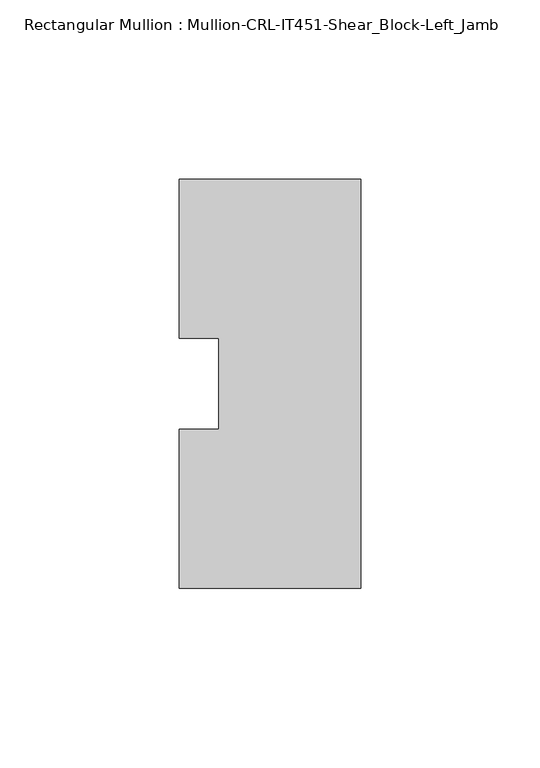
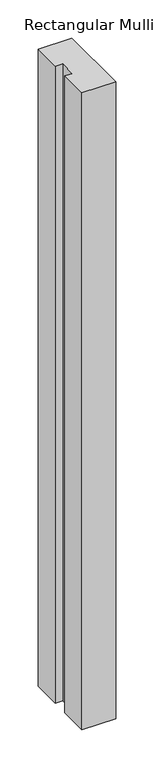
"""IFC4 building model written with IfcOpenShell, lengths in millimetres: member geometry, Rectangular Mullion : Mullion-CRL-IT451-Shear_Block-Left_Jamb."""

from ifc_helpers import new_model, si_unit, frame, origin, place, context, project, spatial, polyline, outline, extrude, source, transform, mapped, element, save


def rectangular_mullion_mullion_crl_it451_shear_block_left_jamb_8e2fe75e(model_context):
    return source(origin(), model_context, "Body", "SweptSolid", [
        extrude(outline(polyline([(0.0, -57.1909821), (-50.8, -57.1909821), (-50.8, -12.7), (-39.6875, -12.7), (-39.6875, 12.7), (-50.8, 12.7), (-50.8, 57.1090179), (0.0, 57.1090179), (0.0, -57.1909821)])), frame((0.0, 0.0, -1016.0), z_axis=(0.0, 0.0, 1.0), x_axis=(1.0, 0.0, 0.0)), (0.0, 0.0, 1.0), 1016.0),
    ])


if __name__ == "__main__":
    model = new_model("IFC4")
    model_context = context("Model", 3, world=origin())
    ifc_project = project(units=[si_unit("LENGTHUNIT", "METRE", prefix="MILLI")], contexts=[model_context])
    site = spatial("IfcSite", under=ifc_project)
    building = spatial("IfcBuilding", under=site)
    placement = place(None, origin())
    rectangular_mullion_mullion_crl_it451_shear_block_left_jamb_shape = rectangular_mullion_mullion_crl_it451_shear_block_left_jamb_8e2fe75e(model_context)
    element("IfcMember", 1, ObjectType="Rectangular Mullion : Mullion-CRL-IT451-Shear_Block-Left_Jamb", at=placement, inside=building, context=model_context, shape_type="MappedRepresentation", body=[
        mapped(rectangular_mullion_mullion_crl_it451_shear_block_left_jamb_shape, transform((0.0, 0.0, 0.0), x_axis=(1.0, 0.0, 0.0), y_axis=(0.0, 1.0, 0.0), z_axis=(0.0, 0.0, 1.0))),
    ])
    save(model, "model.ifc")
